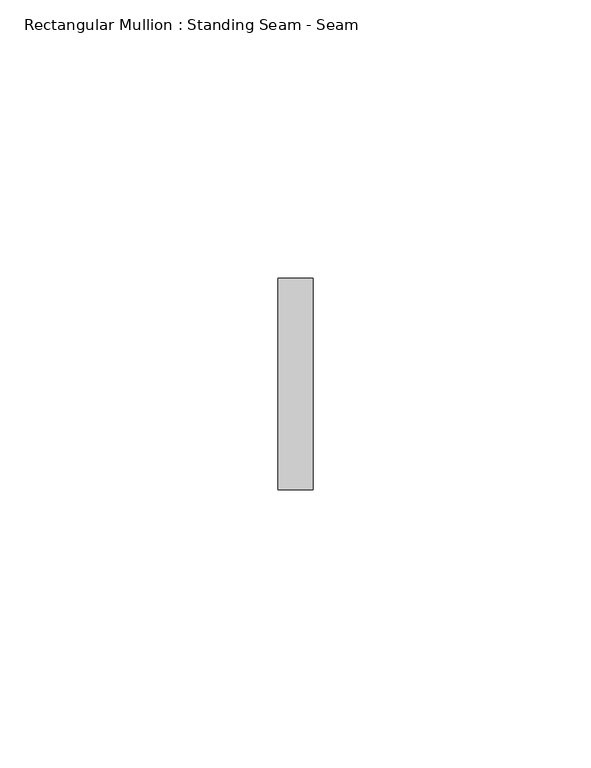
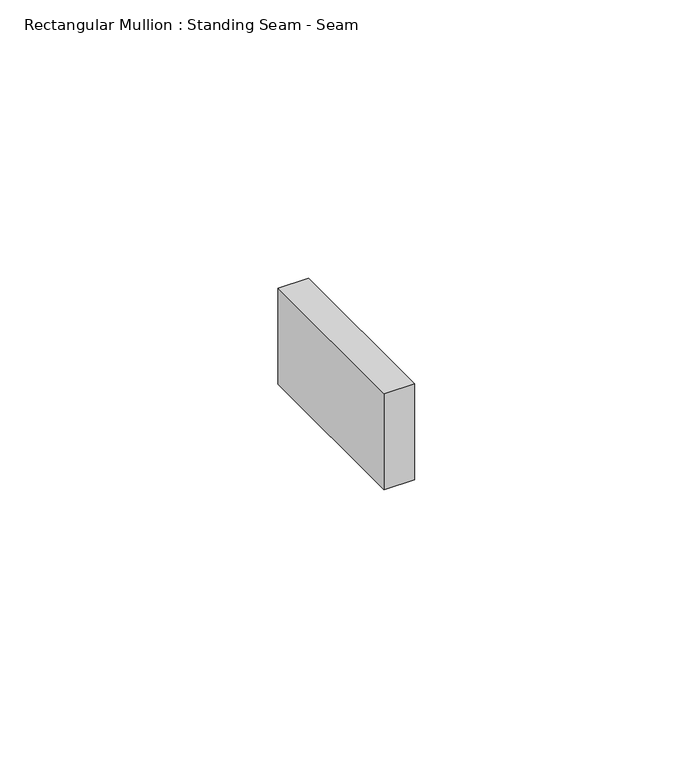
"""IFC4 building model written with IfcOpenShell, lengths in millimetres: member geometry, Rectangular Mullion : Standing Seam - Seam."""

from ifc_helpers import new_model, si_unit, frame, origin, place, context, project, spatial, polyline, outline, extrude, source, transform, mapped, element, save


def rectangular_mullion_standing_seam_seam_739364dd(model_context):
    return source(origin(), model_context, "Body", "SweptSolid", [
        extrude(outline(polyline([(3.175, 41.275), (3.175, 3.175), (-3.175, 3.175), (-3.175, 41.275), (3.175, 41.275)])), frame((0.0, 0.0, -21.0796147), z_axis=(0.0, 0.0, 1.0), x_axis=(1.0, 0.0, 0.0)), (0.0, 0.0, 1.0), 21.0796147),
    ])


if __name__ == "__main__":
    model = new_model("IFC4")
    model_context = context("Model", 3, world=origin())
    ifc_project = project(units=[si_unit("LENGTHUNIT", "METRE", prefix="MILLI")], contexts=[model_context])
    site = spatial("IfcSite", under=ifc_project)
    building = spatial("IfcBuilding", under=site)
    placement = place(None, origin())
    rectangular_mullion_standing_seam_seam_shape = rectangular_mullion_standing_seam_seam_739364dd(model_context)
    element("IfcMember", 1, ObjectType="Rectangular Mullion : Standing Seam - Seam", at=placement, inside=building, context=model_context, shape_type="MappedRepresentation", body=[
        mapped(rectangular_mullion_standing_seam_seam_shape, transform((0.0, 0.0, 0.0), x_axis=(1.0, 0.0, 0.0), y_axis=(0.0, 1.0, 0.0), z_axis=(0.0, 0.0, 1.0))),
    ])
    save(model, "model.ifc")
